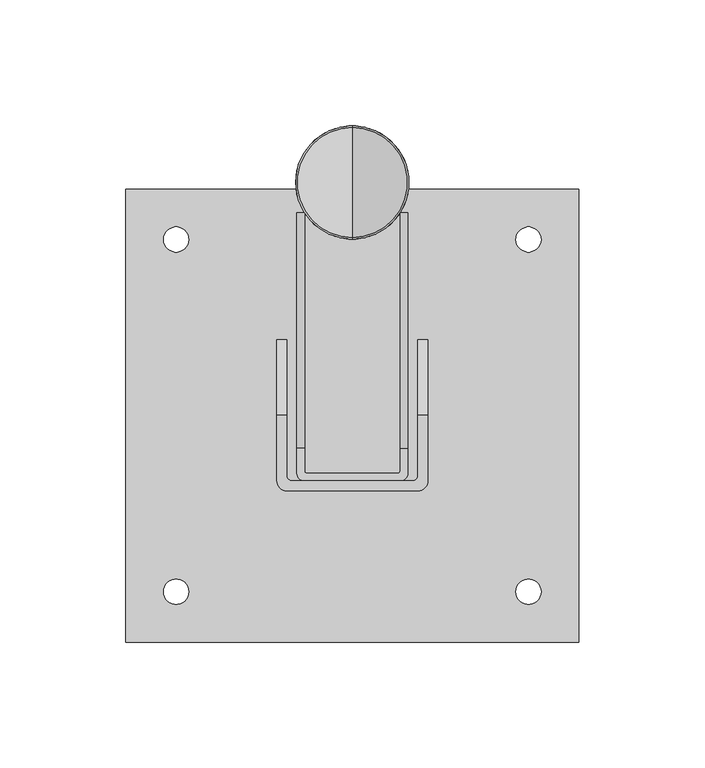
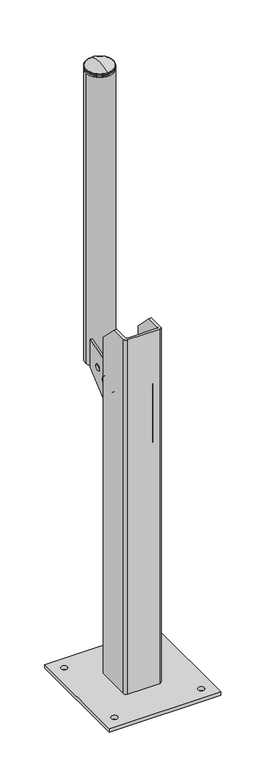
"""IFC4 building model written with IfcOpenShell, lengths in millimetres: proxy geometry."""

from ifc_helpers import new_model, si_unit, point, frame, frame_2d, origin, origin_with_axes, place, context, project, spatial, polyline, circle_curve, ellipse_curve, trimmed, segment, composite_curve, outline, extrude, source, transform, mapped, element, save
from ifc_brep_helpers import plane_surface, cylinder_surface, revolved_surface, advanced_brep


def generic_models_70362230(model_context):
    return source(origin(), model_context, "Body", "SolidModel", [
        advanced_brep(
        [(0.0, 70.0, 990.0), (0.0, 115.0, 990.0), (0.0, 92.5, 990.0), (0.0, 70.0, 992.0), (0.0, 115.0, 992.0), (0.0, 71.0, 992.0), (0.0, 114.0, 992.0), (0.0, 71.0, 993.0), (0.0, 114.0, 993.0), (0.0, 70.0, 993.0), (0.0, 115.0, 993.0), (0.0, 70.0, 994.3593724), (0.0, 115.0, 994.3593724), (0.0, 70.58753, 995.2703436), (0.0, 114.41247, 995.2703436), (0.0, 92.5, 1000.0)],
        [
            (0, 1, circle_curve(frame((0.0, 92.5, 990.0), z_axis=(0.0, 0.0, -1.0), x_axis=(0.0, 1.0, 0.0)), 22.5)),
            (1, 2),
            (2, 0),
            (1, 0, circle_curve(frame((0.0, 92.5, 990.0), z_axis=(0.0, 0.0, -1.0), x_axis=(0.0, 1.0, 0.0)), 22.5)),
            (3, 4, circle_curve(frame((0.0, 92.5, 992.0), z_axis=(0.0, 0.0, -1.0), x_axis=(0.0, 1.0, 0.0)), 22.5)),
            (4, 1),
            (0, 3),
            (4, 3, circle_curve(frame((0.0, 92.5, 992.0), z_axis=(0.0, 0.0, -1.0), x_axis=(0.0, 1.0, 0.0)), 22.5)),
            (5, 6, circle_curve(frame((0.0, 92.5, 992.0), z_axis=(0.0, 0.0, -1.0), x_axis=(0.0, 1.0, 0.0)), 21.5)),
            (6, 4),
            (3, 5),
            (6, 5, circle_curve(frame((0.0, 92.5, 992.0), z_axis=(0.0, 0.0, -1.0), x_axis=(0.0, 1.0, 0.0)), 21.5)),
            (7, 8, circle_curve(frame((0.0, 92.5, 993.0), z_axis=(0.0, 0.0, -1.0), x_axis=(0.0, 1.0, 0.0)), 21.5)),
            (8, 6),
            (5, 7),
            (8, 7, circle_curve(frame((0.0, 92.5, 993.0), z_axis=(0.0, 0.0, -1.0), x_axis=(0.0, 1.0, 0.0)), 21.5)),
            (9, 10, circle_curve(frame((0.0, 92.5, 993.0), z_axis=(0.0, 0.0, -1.0), x_axis=(0.0, 1.0, 0.0)), 22.5)),
            (10, 8),
            (7, 9),
            (10, 9, circle_curve(frame((0.0, 92.5, 993.0), z_axis=(0.0, 0.0, -1.0), x_axis=(0.0, 1.0, 0.0)), 22.5)),
            (11, 12, circle_curve(frame((0.0, 92.5, 994.3593724), z_axis=(0.0, 0.0, -1.0), x_axis=(0.0, 1.0, 0.0)), 22.5)),
            (12, 10),
            (9, 11),
            (12, 11, circle_curve(frame((0.0, 92.5, 994.3593724), z_axis=(0.0, 0.0, -1.0), x_axis=(0.0, 1.0, 0.0)), 22.5)),
            (13, 14, circle_curve(frame((0.0, 92.5, 995.2703436), z_axis=(0.0, 0.0, -1.0), x_axis=(0.0, 1.0, 0.0)), 21.91247)),
            (14, 12, circle_curve(frame((0.0, 114.0, 994.3593724), z_axis=(-1.0, 0.0, 0.0), x_axis=(0.0, 1.0, 0.0)), 1.0)),
            (11, 13, circle_curve(frame((0.0, 71.0, 994.3593724), z_axis=(-1.0, 0.0, 0.0), x_axis=(0.0, -1.0, 0.0)), 1.0)),
            (14, 13, circle_curve(frame((0.0, 92.5, 995.2703436), z_axis=(0.0, 0.0, -1.0), x_axis=(0.0, 1.0, 0.0)), 21.91247)),
            (15, 14, circle_curve(frame((0.0, 92.5, 946.875), z_axis=(-1.0, 0.0, 0.0), x_axis=(0.0, 1.0, 0.0)), 53.125)),
            (13, 15, circle_curve(frame((0.0, 92.5, 946.875), z_axis=(-1.0, 0.0, 0.0), x_axis=(0.0, -1.0, 0.0)), 53.125)),
        ],
        [
            plane_surface(frame((0.0, 92.5, 990.0), z_axis=(0.0, 0.0, -1.0), x_axis=(0.0, 1.0, 0.0))),
            cylinder_surface(frame((0.0, 92.5, -304.8), z_axis=(0.0, 0.0, 1.0), x_axis=(0.0, 1.0, 0.0)), 22.5),
            plane_surface(frame((0.0, 92.5, 992.0), z_axis=(0.0, 0.0, 1.0), x_axis=(0.0, 1.0, 0.0))),
            cylinder_surface(frame((0.0, 92.5, -304.8), z_axis=(0.0, 0.0, 1.0), x_axis=(0.0, 1.0, 0.0)), 21.5),
            plane_surface(frame((0.0, 92.5, 993.0), z_axis=(0.0, 0.0, -1.0), x_axis=(0.0, 1.0, 0.0))),
            revolved_surface(trimmed(ellipse_curve(frame((0.0, 114.0, 994.3593724), z_axis=(1.0, 0.0, 0.0), x_axis=(0.0, 1.0, 0.0)), 1.0, 1.0), [point((0.0, 115.0, 994.3593724))], [point((0.0, 114.41247, 995.2703436))], True, "CARTESIAN"), (0.0, 92.5, -304.8), (0.0, 0.0, 1.0)),
            revolved_surface(trimmed(ellipse_curve(frame((0.0, 92.5, 946.875), z_axis=(1.0, 0.0, 0.0), x_axis=(0.0, 1.0, 0.0)), 53.125, 53.125), [point((0.0, 114.41247, 995.2703436))], [point((0.0, 92.5, 1000.0))], True, "CARTESIAN"), (0.0, 92.5, -304.8), (0.0, 0.0, 1.0)),
        ],
        [
            (0, [[1, 2, 3]]),
            (0, [[4, -3, -2]]),
            (1, [[5, 6, -1, 7]]),
            (1, [[8, -7, -4, -6]]),
            (2, [[9, 10, -5, 11]]),
            (2, [[12, -11, -8, -10]]),
            (3, [[13, 14, -9, 15]]),
            (3, [[16, -15, -12, -14]]),
            (4, [[17, 18, -13, 19]]),
            (4, [[20, -19, -16, -18]]),
            (1, [[21, 22, -17, 23]]),
            (1, [[24, -23, -20, -22]]),
            (5, [[25, 26, -21, 27]]),
            (5, [[28, -27, -24, -26]]),
            (6, [[29, -25, 30]]),
            (6, [[-30, -28, -29]]),
        ],
    ),
        advanced_brep(
        [(22.0, -13.0, 415.0), (22.0, 80.4480292, 495.002509), (22.0, 80.4480292, 543.0), (22.0, -13.0, 515.0), (22.0, -23.0, 515.0), (22.0, -23.0, 415.0), (22.0, 65.0, 507.3870968), (22.0, 55.0, 507.3870968), (22.0, 47.0246546, 495.207864), (22.0, 31.0246546, 495.207864), (22.0, 24.0, 479.516129), (22.0, 0.0, 479.516129), (19.0, -13.0, 515.0), (19.0, 80.4480292, 543.0), (19.0, 80.4480292, 495.002509), (19.0, -13.0, 415.0), (19.0, -22.0, 415.0), (19.0, -22.0, 515.0), (19.0, 65.0, 507.3870968), (19.0, 55.0, 507.3870968), (19.0, 47.0246546, 495.207864), (19.0, 31.0246546, 495.207864), (19.0, 24.0, 479.516129), (19.0, 0.0, 479.516129), (19.0, -26.0, 515.0), (18.0, -23.0, 515.0), (-18.0, -23.0, 515.0), (-19.0, -22.0, 515.0), (-19.0, -13.0, 515.0), (-22.0, -13.0, 515.0), (-22.0, -23.0, 515.0), (-19.0, -26.0, 515.0), (19.0, -26.0, 415.0), (-19.0, -26.0, 415.0), (-22.0, -23.0, 415.0), (-22.0, -13.0, 415.0), (-19.0, -13.0, 415.0), (-19.0, -22.0, 415.0), (-18.0, -23.0, 415.0), (18.0, -23.0, 415.0), (-22.0, 80.4480292, 543.0), (-22.0, 80.4480292, 495.002509), (-22.0, 24.0, 479.516129), (-22.0, 0.0, 479.516129), (-22.0, 47.0246546, 495.207864), (-22.0, 31.0246546, 495.207864), (-22.0, 65.0, 507.3870968), (-22.0, 55.0, 507.3870968), (-19.0, 80.4480292, 495.002509), (-19.0, 80.4480292, 543.0), (-19.0, 24.0, 479.516129), (-19.0, 0.0, 479.516129), (-19.0, 47.0246546, 495.207864), (-19.0, 31.0246546, 495.207864), (-19.0, 65.0, 507.3870968), (-19.0, 55.0, 507.3870968)],
        [
            (0, 1),
            (1, 2),
            (2, 3),
            (3, 4),
            (4, 5),
            (5, 0),
            (6, 7, circle_curve(frame((22.0, 60.0, 507.3870968), z_axis=(-1.0, 0.0, 0.0), x_axis=(0.0, -1.0, 0.0)), 5.0)),
            (7, 6, circle_curve(frame((22.0, 60.0, 507.3870968), z_axis=(-1.0, 0.0, 0.0), x_axis=(0.0, -1.0, 0.0)), 5.0)),
            (8, 9, circle_curve(frame((22.0, 39.0246546, 495.207864), z_axis=(-1.0, 0.0, 0.0), x_axis=(0.0, -1.0, 0.0)), 8.0)),
            (9, 8, circle_curve(frame((22.0, 39.0246546, 495.207864), z_axis=(-1.0, 0.0, 0.0), x_axis=(0.0, -1.0, 0.0)), 8.0)),
            (10, 11, circle_curve(frame((22.0, 12.0, 479.516129), z_axis=(-1.0, 0.0, 0.0), x_axis=(0.0, -1.0, 0.0)), 12.0)),
            (11, 10, circle_curve(frame((22.0, 12.0, 479.516129), z_axis=(-1.0, 0.0, 0.0), x_axis=(0.0, -1.0, 0.0)), 12.0)),
            (12, 13),
            (13, 14),
            (14, 15),
            (15, 16),
            (16, 17),
            (17, 12),
            (18, 19, circle_curve(frame((19.0, 60.0, 507.3870968), z_axis=(1.0, 0.0, 0.0), x_axis=(0.0, -1.0, 0.0)), 5.0)),
            (19, 18, circle_curve(frame((19.0, 60.0, 507.3870968), z_axis=(1.0, 0.0, 0.0), x_axis=(0.0, -1.0, 0.0)), 5.0)),
            (20, 21, circle_curve(frame((19.0, 39.0246546, 495.207864), z_axis=(1.0, 0.0, 0.0), x_axis=(0.0, -1.0, 0.0)), 8.0)),
            (21, 20, circle_curve(frame((19.0, 39.0246546, 495.207864), z_axis=(1.0, 0.0, 0.0), x_axis=(0.0, -1.0, 0.0)), 8.0)),
            (22, 23, circle_curve(frame((19.0, 12.0, 479.516129), z_axis=(1.0, 0.0, 0.0), x_axis=(0.0, -1.0, 0.0)), 12.0)),
            (23, 22, circle_curve(frame((19.0, 12.0, 479.516129), z_axis=(1.0, 0.0, 0.0), x_axis=(0.0, -1.0, 0.0)), 12.0)),
            (0, 15),
            (14, 1),
            (13, 2),
            (12, 3),
            (6, 18),
            (19, 7),
            (8, 20),
            (21, 9),
            (10, 22),
            (23, 11),
            (24, 4, circle_curve(frame((19.0, -23.0, 515.0), z_axis=(0.0, 0.0, 1.0), x_axis=(-1.0, 0.0, 0.0)), 3.0)),
            (17, 25, circle_curve(frame((18.0, -22.0, 515.0), z_axis=(0.0, 0.0, -1.0), x_axis=(-1.0, 0.0, 0.0)), 1.0)),
            (25, 26),
            (26, 27, circle_curve(frame((-18.0, -22.0, 515.0), z_axis=(0.0, 0.0, -1.0), x_axis=(-1.0, 0.0, 0.0)), 1.0)),
            (27, 28),
            (28, 29),
            (29, 30),
            (30, 31, circle_curve(frame((-19.0, -23.0, 515.0), z_axis=(0.0, 0.0, 1.0), x_axis=(-1.0, 0.0, 0.0)), 3.0)),
            (31, 24),
            (32, 33),
            (33, 34, circle_curve(frame((-19.0, -23.0, 415.0), z_axis=(0.0, 0.0, -1.0), x_axis=(-1.0, 0.0, 0.0)), 3.0)),
            (34, 35),
            (35, 36),
            (36, 37),
            (37, 38, circle_curve(frame((-18.0, -22.0, 415.0), z_axis=(0.0, 0.0, 1.0), x_axis=(-1.0, 0.0, 0.0)), 1.0)),
            (38, 39),
            (39, 16, circle_curve(frame((18.0, -22.0, 415.0), z_axis=(0.0, 0.0, 1.0), x_axis=(-1.0, 0.0, 0.0)), 1.0)),
            (5, 32, circle_curve(frame((19.0, -23.0, 415.0), z_axis=(0.0, 0.0, -1.0), x_axis=(-1.0, 0.0, 0.0)), 3.0)),
            (31, 33),
            (32, 24),
            (30, 34),
            (29, 40),
            (40, 41),
            (41, 35),
            (42, 43, circle_curve(frame((-22.0, 12.0, 479.516129), z_axis=(1.0, 0.0, 0.0), x_axis=(0.0, -1.0, 0.0)), 12.0)),
            (43, 42, circle_curve(frame((-22.0, 12.0, 479.516129), z_axis=(1.0, 0.0, 0.0), x_axis=(0.0, -1.0, 0.0)), 12.0)),
            (44, 45, circle_curve(frame((-22.0, 39.0246546, 495.207864), z_axis=(1.0, 0.0, 0.0), x_axis=(0.0, -1.0, 0.0)), 8.0)),
            (45, 44, circle_curve(frame((-22.0, 39.0246546, 495.207864), z_axis=(1.0, 0.0, 0.0), x_axis=(0.0, -1.0, 0.0)), 8.0)),
            (46, 47, circle_curve(frame((-22.0, 60.0, 507.3870968), z_axis=(1.0, 0.0, 0.0), x_axis=(0.0, -1.0, 0.0)), 5.0)),
            (47, 46, circle_curve(frame((-22.0, 60.0, 507.3870968), z_axis=(1.0, 0.0, 0.0), x_axis=(0.0, -1.0, 0.0)), 5.0)),
            (27, 37),
            (36, 48),
            (48, 49),
            (49, 28),
            (50, 51, circle_curve(frame((-19.0, 12.0, 479.516129), z_axis=(-1.0, 0.0, 0.0), x_axis=(0.0, -1.0, 0.0)), 12.0)),
            (51, 50, circle_curve(frame((-19.0, 12.0, 479.516129), z_axis=(-1.0, 0.0, 0.0), x_axis=(0.0, -1.0, 0.0)), 12.0)),
            (52, 53, circle_curve(frame((-19.0, 39.0246546, 495.207864), z_axis=(-1.0, 0.0, 0.0), x_axis=(0.0, -1.0, 0.0)), 8.0)),
            (53, 52, circle_curve(frame((-19.0, 39.0246546, 495.207864), z_axis=(-1.0, 0.0, 0.0), x_axis=(0.0, -1.0, 0.0)), 8.0)),
            (54, 55, circle_curve(frame((-19.0, 60.0, 507.3870968), z_axis=(-1.0, 0.0, 0.0), x_axis=(0.0, -1.0, 0.0)), 5.0)),
            (55, 54, circle_curve(frame((-19.0, 60.0, 507.3870968), z_axis=(-1.0, 0.0, 0.0), x_axis=(0.0, -1.0, 0.0)), 5.0)),
            (26, 38),
            (25, 39),
            (41, 48),
            (40, 49),
            (50, 42),
            (43, 51),
            (52, 44),
            (45, 53),
            (54, 46),
            (47, 55),
        ],
        [
            plane_surface(frame((22.0, -13.0, 515.0), z_axis=(1.0, 0.0, 0.0), x_axis=(0.0, 0.0, 1.0))),
            plane_surface(frame((19.0, -13.0, 515.0), z_axis=(-1.0, 0.0, 0.0), x_axis=(0.0, 0.0, 1.0))),
            plane_surface(frame((22.0, -13.0, 415.0), z_axis=(0.0, 0.6503423189639836, -0.7596412759747514), x_axis=(-1.0, 0.0, 0.0))),
            plane_surface(frame((22.0, 80.4480292, 495.002509), z_axis=(0.0, 1.0, 0.0), x_axis=(-1.0, 0.0, 0.0))),
            plane_surface(frame((22.0, 80.4480292, 543.0), z_axis=(0.0, -0.287024273168114, 0.9579233093584872), x_axis=(-1.0, 0.0, 0.0))),
            revolved_surface(polyline([(19.0, 55.0, 507.3870968), (22.0, 55.0, 507.3870968)]), (22.0, 60.0, 507.3870968), (-1.0, 0.0, 0.0)),
            revolved_surface(polyline([(19.0, 31.024654599999998, 495.207864), (22.0, 31.024654599999998, 495.207864)]), (22.0, 39.0246546, 495.207864), (-1.0, 0.0, 0.0)),
            revolved_surface(polyline([(19.0, 0.0, 479.516129), (22.0, 0.0, 479.516129)]), (22.0, 12.0, 479.516129), (-1.0, 0.0, 0.0)),
            plane_surface(frame((-19.0, -26.0, 515.0), z_axis=(0.0, 0.0, 1.0), x_axis=(1.0, 0.0, 0.0))),
            plane_surface(frame((-19.0, -26.0, 415.0), z_axis=(0.0, 0.0, -1.0), x_axis=(-1.0, 0.0, 0.0))),
            plane_surface(frame((19.0, -26.0, 415.0), z_axis=(0.0, -1.0, 0.0), x_axis=(0.0, 0.0, 1.0))),
            cylinder_surface(frame((-19.0, -23.0, 515.0), z_axis=(0.0, 0.0, -1.0), x_axis=(-1.0, 0.0, 0.0)), 3.0),
            plane_surface(frame((-22.0, -23.0, 415.0), z_axis=(-1.0, 0.0, 0.0), x_axis=(0.0, 0.0, 1.0))),
            plane_surface(frame((-19.0, -13.0, 415.0), z_axis=(1.0, 0.0, 0.0), x_axis=(0.0, 0.0, 1.0))),
            revolved_surface(polyline([(-19.0, -22.0, 515.0), (-19.0, -22.0, 415.0)]), (-18.0, -22.0, 515.0), (0.0, 0.0, 1.0)),
            plane_surface(frame((-18.0, -23.0, 415.0), z_axis=(0.0, 1.0, 0.0), x_axis=(0.0, 0.0, 1.0))),
            revolved_surface(polyline([(17.0, -22.0, 515.0), (17.0, -22.0, 415.0)]), (18.0, -22.0, 515.0), (0.0, 0.0, 1.0)),
            cylinder_surface(frame((19.0, -23.0, 515.0), z_axis=(0.0, 0.0, -1.0), x_axis=(-1.0, 0.0, 0.0)), 3.0),
            plane_surface(frame((-19.0, -13.0, 415.0), z_axis=(0.0, 0.6503423189638138, -0.7596412759748967), x_axis=(-1.0, 0.0, 0.0))),
            plane_surface(frame((-19.0, 80.4480292, 495.002509), z_axis=(0.0, 1.0, 0.0), x_axis=(-1.0, 0.0, 0.0))),
            plane_surface(frame((-19.0, 80.4480292, 543.0), z_axis=(0.0, -0.2870242731677316, 0.9579233093586017), x_axis=(-1.0, 0.0, 0.0))),
            revolved_surface(polyline([(-22.0, 0.0, 479.516129), (-19.0, 0.0, 479.516129)]), (-19.0, 12.0, 479.516129), (-1.0, 0.0, 0.0)),
            revolved_surface(polyline([(-22.0, 31.024654599999998, 495.207864), (-19.0, 31.024654599999998, 495.207864)]), (-19.0, 39.0246546, 495.207864), (-1.0, 0.0, 0.0)),
            revolved_surface(polyline([(-22.0, 55.0, 507.3870968), (-19.0, 55.0, 507.3870968)]), (-19.0, 60.0, 507.3870968), (-1.0, 0.0, 0.0)),
        ],
        [
            (0, [[1, 2, 3, 4, 5, 6], [7, 8], [9, 10], [11, 12]]),
            (1, [[13, 14, 15, 16, 17, 18], [19, 20], [21, 22], [23, 24]]),
            (2, [[-1, 25, -15, 26]]),
            (3, [[-2, -26, -14, 27]]),
            (4, [[-3, -27, -13, 28]]),
            (5, [[-7, 29, -20, 30]]),
            (5, [[-8, -30, -19, -29]]),
            (6, [[-9, 31, -22, 32]]),
            (6, [[-10, -32, -21, -31]]),
            (7, [[-11, 33, -24, 34]]),
            (7, [[-12, -34, -23, -33]]),
            (8, [[35, -4, -28, -18, 36, 37, 38, 39, 40, 41, 42, 43]]),
            (9, [[44, 45, 46, 47, 48, 49, 50, 51, -16, -25, -6, 52]]),
            (10, [[-43, 53, -44, 54]]),
            (11, [[-42, 55, -45, -53]]),
            (12, [[-41, 56, 57, 58, -46, -55], [59, 60], [61, 62], [63, 64]]),
            (13, [[-39, 65, -48, 66, 67, 68], [69, 70], [71, 72], [73, 74]]),
            (14, [[-38, 75, -49, -65]]),
            (15, [[-37, 76, -50, -75]]),
            (16, [[-36, -17, -51, -76]]),
            (17, [[-35, -54, -52, -5]]),
            (18, [[-66, -47, -58, 77]]),
            (19, [[-67, -77, -57, 78]]),
            (20, [[-68, -78, -56, -40]]),
            (21, [[-69, 79, -60, 80]]),
            (21, [[-70, -80, -59, -79]]),
            (22, [[-71, 81, -62, 82]]),
            (22, [[-72, -82, -61, -81]]),
            (23, [[-73, 83, -64, 84]]),
            (23, [[-74, -84, -63, -83]]),
        ],
    ),
        extrude(outline(composite_curve([segment(trimmed(circle_curve(frame_2d((0.0, 92.5)), 22.5), [point((22.5, 92.5))], [point((-22.5, 92.5))], False, "CARTESIAN"), True, "CONTINUOUS"), segment(trimmed(circle_curve(frame_2d((0.0, 92.5)), 22.5), [point((-22.5, 92.5))], [point((22.5, 92.5))], False, "CARTESIAN"), True, "CONTINUOUS")], self_intersect=False)), frame((0.0, 0.0, 495.0), z_axis=(0.0, 0.0, 1.0), x_axis=(1.0, 0.0, 0.0)), (0.0, 0.0, 1.0), 495.0),
        advanced_brep(
        [(-30.0, -26.0, 610.0), (-26.0, -30.0, 610.0), (26.0, -30.0, 610.0), (30.0, -26.0, 610.0), (30.0, 0.0, 610.0), (26.0, 0.0, 610.0), (26.0, -24.0, 610.0), (24.0, -26.0, 610.0), (-24.0, -26.0, 610.0), (-26.0, -24.0, 610.0), (-26.0, 0.0, 610.0), (-30.0, 0.0, 610.0), (-30.0, -26.0, 6.0), (-30.0, 30.0, 6.0), (-26.0, 30.0, 6.0), (-26.0, -24.0, 6.0), (-24.0, -26.0, 6.0), (24.0, -26.0, 6.0), (26.0, -24.0, 6.0), (26.0, 30.0, 6.0), (30.0, 30.0, 6.0), (30.0, -26.0, 6.0), (26.0, -30.0, 6.0), (-26.0, -30.0, 6.0), (30.0, 30.0, 580.0), (26.0, 30.0, 580.0), (-26.0, 30.0, 580.0), (-30.0, 30.0, 580.0)],
        [
            (0, 1, circle_curve(frame((-26.0, -26.0, 610.0), z_axis=(0.0, 0.0, 1.0), x_axis=(-1.0, 0.0, 0.0)), 4.0)),
            (1, 2),
            (2, 3, circle_curve(frame((26.0, -26.0, 610.0), z_axis=(0.0, 0.0, 1.0), x_axis=(-1.0, 0.0, 0.0)), 4.0)),
            (3, 4),
            (4, 5),
            (5, 6),
            (6, 7, circle_curve(frame((24.0, -24.0, 610.0), z_axis=(0.0, 0.0, -1.0), x_axis=(-1.0, 0.0, 0.0)), 2.0)),
            (7, 8),
            (8, 9, circle_curve(frame((-24.0, -24.0, 610.0), z_axis=(0.0, 0.0, -1.0), x_axis=(-1.0, 0.0, 0.0)), 2.0)),
            (9, 10),
            (10, 11),
            (11, 0),
            (12, 13),
            (13, 14),
            (14, 15),
            (15, 16, circle_curve(frame((-24.0, -24.0, 6.0), z_axis=(0.0, 0.0, 1.0), x_axis=(-1.0, 0.0, 0.0)), 2.0)),
            (16, 17),
            (17, 18, circle_curve(frame((24.0, -24.0, 6.0), z_axis=(0.0, 0.0, 1.0), x_axis=(-1.0, 0.0, 0.0)), 2.0)),
            (18, 19),
            (19, 20),
            (20, 21),
            (21, 22, circle_curve(frame((26.0, -26.0, 6.0), z_axis=(0.0, 0.0, -1.0), x_axis=(-1.0, 0.0, 0.0)), 4.0)),
            (22, 23),
            (23, 12, circle_curve(frame((-26.0, -26.0, 6.0), z_axis=(0.0, 0.0, -1.0), x_axis=(-1.0, 0.0, 0.0)), 4.0)),
            (0, 12),
            (23, 1),
            (22, 2),
            (21, 3),
            (20, 24),
            (24, 4),
            (19, 25),
            (25, 24),
            (18, 6),
            (5, 25),
            (17, 7),
            (16, 8),
            (15, 9),
            (14, 26),
            (26, 10),
            (13, 27),
            (27, 26),
            (11, 27),
        ],
        [
            plane_surface(frame((-30.0, -26.0, 610.0), z_axis=(0.0, 0.0, 1.0), x_axis=(0.0, -1.0, 0.0))),
            plane_surface(frame((-30.0, -26.0, 6.0), z_axis=(0.0, 0.0, -1.0), x_axis=(0.0, 1.0, 0.0))),
            cylinder_surface(frame((-26.0, -26.0, 6.0), z_axis=(0.0, 0.0, 1.0), x_axis=(-1.0, 0.0, 0.0)), 4.0),
            plane_surface(frame((-26.0, -30.0, 610.0), z_axis=(0.0, -1.0, 0.0), x_axis=(0.0, 0.0, -1.0))),
            cylinder_surface(frame((26.0, -26.0, 6.0), z_axis=(0.0, 0.0, 1.0), x_axis=(-1.0, 0.0, 0.0)), 4.0),
            plane_surface(frame((30.0, -26.0, 610.0), z_axis=(1.0, 0.0, 0.0), x_axis=(0.0, 0.0, -1.0))),
            plane_surface(frame((30.0, 30.0, 610.0), z_axis=(0.0, 1.0, 0.0), x_axis=(0.0, 0.0, -1.0))),
            plane_surface(frame((26.0, 30.0, 610.0), z_axis=(-1.0, 0.0, 0.0), x_axis=(0.0, 0.0, -1.0))),
            revolved_surface(polyline([(22.0, -24.0, 6.0), (22.0, -24.0, 610.0)]), (24.0, -24.0, 6.0), (0.0, 0.0, -1.0)),
            plane_surface(frame((24.0, -26.0, 610.0), z_axis=(0.0, 1.0, 0.0), x_axis=(0.0, 0.0, -1.0))),
            revolved_surface(polyline([(-26.0, -24.0, 6.0), (-26.0, -24.0, 610.0)]), (-24.0, -24.0, 6.0), (0.0, 0.0, -1.0)),
            plane_surface(frame((-26.0, -24.0, 610.0), z_axis=(1.0, 0.0, 0.0), x_axis=(0.0, 0.0, -1.0))),
            plane_surface(frame((-26.0, 30.0, 610.0), z_axis=(0.0, 1.0, 0.0), x_axis=(0.0, 0.0, -1.0))),
            plane_surface(frame((-30.0, 30.0, 610.0), z_axis=(-1.0, 0.0, 0.0), x_axis=(0.0, 0.0, -1.0))),
            plane_surface(frame((30.0, 0.0, 610.0), z_axis=(0.0, 0.7071067811865482, 0.7071067811865469), x_axis=(-1.0, 0.0, 0.0))),
            plane_surface(frame((-26.0, 0.0, 610.0), z_axis=(0.0, 0.7071067811865539, 0.7071067811865411), x_axis=(-1.0, 0.0, 0.0))),
        ],
        [
            (0, [[1, 2, 3, 4, 5, 6, 7, 8, 9, 10, 11, 12]]),
            (1, [[13, 14, 15, 16, 17, 18, 19, 20, 21, 22, 23, 24]]),
            (2, [[-1, 25, -24, 26]]),
            (3, [[-2, -26, -23, 27]]),
            (4, [[-3, -27, -22, 28]]),
            (5, [[-21, 29, 30, -4, -28]]),
            (6, [[-20, 31, 32, -29]]),
            (7, [[-19, 33, -6, 34, -31]]),
            (8, [[-7, -33, -18, 35]]),
            (9, [[-8, -35, -17, 36]]),
            (10, [[-9, -36, -16, 37]]),
            (11, [[-15, 38, 39, -10, -37]]),
            (12, [[-14, 40, 41, -38]]),
            (13, [[-13, -25, -12, 42, -40]]),
            (14, [[-5, -30, -32, -34]]),
            (15, [[-11, -39, -41, -42]]),
        ],
    ),
        extrude(outline(polyline([(90.0, 90.0), (90.0, -90.0), (-90.0, -90.0), (-90.0, 90.0), (90.0, 90.0)]), holes=[composite_curve([segment(trimmed(circle_curve(frame_2d((-70.0, 70.0)), 5.0), [point((-75.0, 70.0))], [point((-65.0, 70.0))], True, "CARTESIAN"), True, "CONTINUOUS"), segment(trimmed(circle_curve(frame_2d((-70.0, 70.0)), 5.0), [point((-65.0, 70.0))], [point((-75.0, 70.0))], True, "CARTESIAN"), True, "CONTINUOUS")], self_intersect=False), composite_curve([segment(trimmed(circle_curve(frame_2d((70.0, 70.0)), 5.0), [point((65.0, 70.0))], [point((75.0, 70.0))], True, "CARTESIAN"), True, "CONTINUOUS"), segment(trimmed(circle_curve(frame_2d((70.0, 70.0)), 5.0), [point((75.0, 70.0))], [point((65.0, 70.0))], True, "CARTESIAN"), True, "CONTINUOUS")], self_intersect=False), composite_curve([segment(trimmed(circle_curve(frame_2d((-70.0, -70.0)), 5.0), [point((-75.0, -70.0))], [point((-65.0, -70.0))], True, "CARTESIAN"), True, "CONTINUOUS"), segment(trimmed(circle_curve(frame_2d((-70.0, -70.0)), 5.0), [point((-65.0, -70.0))], [point((-75.0, -70.0))], True, "CARTESIAN"), True, "CONTINUOUS")], self_intersect=False), composite_curve([segment(trimmed(circle_curve(frame_2d((70.0, -70.0)), 5.0), [point((65.0, -70.0))], [point((75.0, -70.0))], True, "CARTESIAN"), True, "CONTINUOUS"), segment(trimmed(circle_curve(frame_2d((70.0, -70.0)), 5.0), [point((75.0, -70.0))], [point((65.0, -70.0))], True, "CARTESIAN"), True, "CONTINUOUS")], self_intersect=False)]), origin_with_axes(), (0.0, 0.0, 1.0), 6.0),
    ])


if __name__ == "__main__":
    model = new_model("IFC4")
    model_context = context("Model", 3, world=origin())
    ifc_project = project(units=[si_unit("LENGTHUNIT", "METRE", prefix="MILLI")], contexts=[model_context])
    site = spatial("IfcSite", under=ifc_project)
    building = spatial("IfcBuilding", under=site)
    placement = place(None, origin())
    generic_models_shape = generic_models_70362230(model_context)
    element("IfcBuildingElementProxy", 1, Name="Generic Models", at=placement, inside=building, context=model_context, shape_type="MappedRepresentation", body=[
        mapped(generic_models_shape, transform((0.0, 0.0, 0.0), x_axis=(1.0, 0.0, 0.0), y_axis=(0.0, 1.0, 0.0), z_axis=(0.0, 0.0, 1.0))),
    ])
    save(model, "model.ifc")
